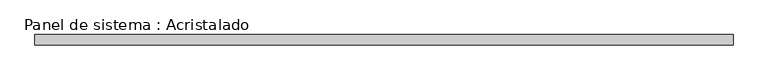
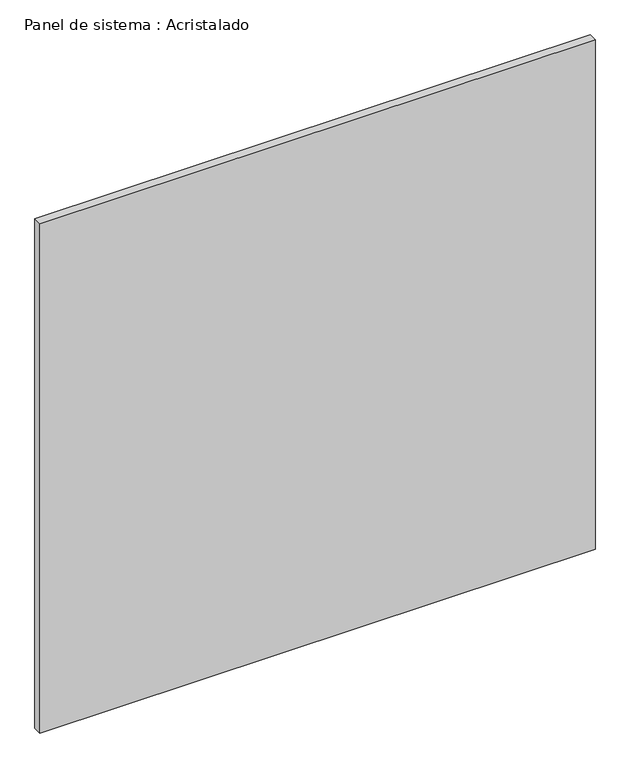
"""IFC4 building model written with IfcOpenShell, lengths in millimetres: plate geometry, Panel de sistema : Acristalado."""

from ifc_helpers import new_model, si_unit, origin, origin_with_axes, place, context, project, spatial, polyline, outline, extrude, source, transform, mapped, element, save


def panel_de_sistema_acristalado_06a6142d(model_context):
    return source(origin(), model_context, "Body", "SweptSolid", [
        extrude(outline(polyline([(670.0848648, -10.0), (-670.0848648, -10.0), (-670.0848648, 10.0), (670.0848648, 10.0), (670.0848648, -10.0)])), origin_with_axes(), (0.0, 0.0, 1.0), 1300.0),
    ])


if __name__ == "__main__":
    model = new_model("IFC4")
    model_context = context("Model", 3, world=origin())
    ifc_project = project(units=[si_unit("LENGTHUNIT", "METRE", prefix="MILLI")], contexts=[model_context])
    site = spatial("IfcSite", under=ifc_project)
    building = spatial("IfcBuilding", under=site)
    placement = place(None, origin())
    panel_de_sistema_acristalado_shape = panel_de_sistema_acristalado_06a6142d(model_context)
    element("IfcPlate", 1, ObjectType="Panel de sistema : Acristalado", at=placement, inside=building, context=model_context, shape_type="MappedRepresentation", body=[
        mapped(panel_de_sistema_acristalado_shape, transform((0.0, 0.0, 0.0), x_axis=(1.0, 0.0, 0.0), y_axis=(0.0, 1.0, 0.0), z_axis=(0.0, 0.0, 1.0))),
    ])
    save(model, "model.ifc")
